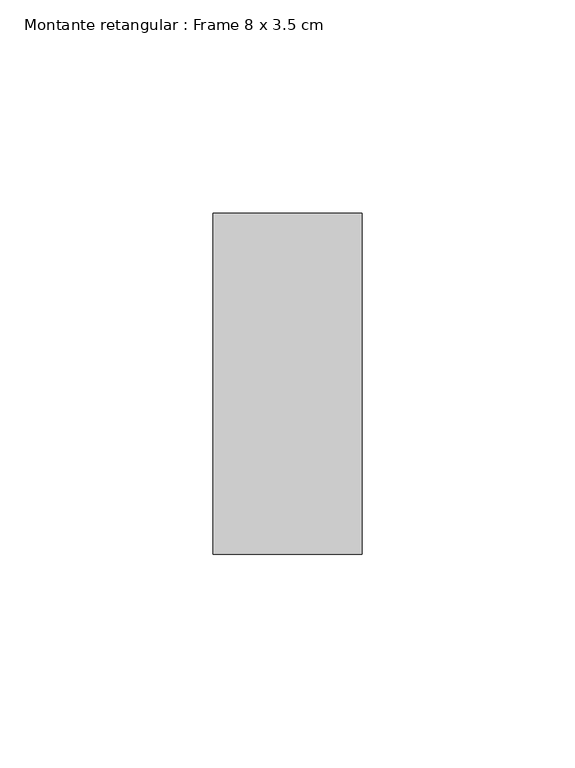
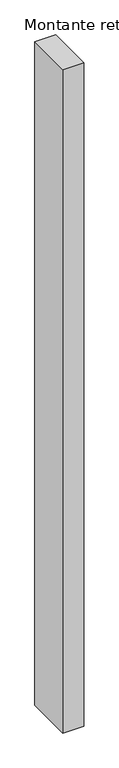
"""IFC4 building model written with IfcOpenShell, lengths in millimetres: member geometry, Montante retangular : Frame 8 x 3.5 cm."""

import ifcopenshell
import ifcopenshell.guid

model = None  # the IFC model being written
_history = None  # IfcOwnerHistory: only IFC2X3 demands one
_inside = {}  # id of a spatial element -> (the spatial element, [elements in it])
_under = {}  # id of a project, library or spatial element -> (it, [spatial elements below it])
_declared = {}  # id of a project -> (the project, [libraries it declares])
_typed = {}  # id of a type object -> (the type object, [elements of that type])
_made_of = {}  # id of a material, layer set ... -> (it, [elements and type objects made of it])


def new_model(schema):
    """Start an empty IFC model of exactly this schema.

    Asked for "IFC4X3", IfcOpenShell would pick the latest addendum, in which some entities
    have other attributes; the version numbers below select the first issue.
    IFC2X3 requires an IfcOwnerHistory on every rooted entity: one is made here for all.
    """
    global model, _history
    if schema == "IFC4X3":
        model = ifcopenshell.file(schema_version=(4, 3, 0, 0))
    else:
        model = ifcopenshell.file(schema=schema)
    _inside.clear()
    _under.clear()
    _declared.clear()
    _typed.clear()
    _made_of.clear()
    _history = None
    if model.schema == "IFC2X3":
        org = make("IfcOrganization", Name="unknown")
        user = make(
            "IfcPersonAndOrganization",
            ThePerson=make("IfcPerson", FamilyName="unknown"),
            TheOrganization=org,
        )
        app = make(
            "IfcApplication",
            ApplicationDeveloper=org,
            Version="unknown",
            ApplicationFullName="unknown",
            ApplicationIdentifier="unknown",
        )
        _history = make(
            "IfcOwnerHistory",
            OwningUser=user,
            OwningApplication=app,
            ChangeAction="ADDED",
            CreationDate=0,
        )
    return model


def make(cls, **values):
    """One entity of the class cls with the attributes given. An attribute that is None is left unset."""
    return model.create_entity(
        cls, **{name: value for name, value in values.items() if value is not None}
    )


def rooted(cls, **values):
    """An entity with a GlobalId (a new one), such as an element, a storey or a relation."""
    return make(cls, GlobalId=ifcopenshell.guid.new(), OwnerHistory=_history, **values)


def si_unit(unit_type, name, prefix=None):
    """IfcSIUnit, for example si_unit("LENGTHUNIT", "METRE", prefix="MILLI")."""
    return make("IfcSIUnit", UnitType=unit_type, Prefix=prefix, Name=name)


def assignment(units):
    """IfcUnitAssignment: the units of a project."""
    return None if units is None else make("IfcUnitAssignment", Units=units)


def point(xyz):
    """IfcCartesianPoint."""
    return None if xyz is None else make("IfcCartesianPoint", Coordinates=xyz)


def direction(xyz):
    """IfcDirection."""
    return None if xyz is None else make("IfcDirection", DirectionRatios=xyz)


def frame(location, z_axis=None, x_axis=None):
    """IfcAxis2Placement3D, a coordinate frame: its origin and axes. An axis left out is left unset."""
    return make(
        "IfcAxis2Placement3D",
        Location=point(location),
        Axis=direction(z_axis),
        RefDirection=direction(x_axis),
    )


def origin():
    """The frame at (0, 0, 0) with its axes left unset."""
    return frame((0.0, 0.0, 0.0))


def place(relative_to, where):
    """IfcLocalPlacement: puts the frame where relative to a parent placement (None: the world)."""
    return make(
        "IfcLocalPlacement", PlacementRelTo=relative_to, RelativePlacement=where
    )


def context(
    kind, dimensions, precision=None, world=None, true_north=None, identifier=None
):
    """IfcGeometricRepresentationContext, for example the 3D "Model" context."""
    return make(
        "IfcGeometricRepresentationContext",
        ContextIdentifier=identifier,
        ContextType=kind,
        CoordinateSpaceDimension=dimensions,
        Precision=precision,
        WorldCoordinateSystem=world,
        TrueNorth=true_north,
    )


def project(units=None, contexts=None):
    """IfcProject with its units and contexts."""
    return rooted(
        "IfcProject",
        Name="project",
        RepresentationContexts=contexts,
        UnitsInContext=assignment(units),
    )


def spatial(cls, under=None, at=None, **own):
    """A site, building, storey or space (cls), placed at a placement, below another one or the project."""
    s = rooted(cls, ObjectPlacement=at, **own)
    if under is not None:
        _under.setdefault(under.id(), (under, []))[1].append(s)
    return s


def polyline(points):
    """IfcPolyline through the points."""
    return make("IfcPolyline", Points=[point(p) for p in points])


def outline(outer, holes=None, kind="AREA"):
    """IfcArbitraryClosedProfileDef: a profile drawn as a closed curve; with holes, ...WithVoids."""
    if holes is None:
        return make("IfcArbitraryClosedProfileDef", ProfileType=kind, OuterCurve=outer)
    return make(
        "IfcArbitraryProfileDefWithVoids",
        ProfileType=kind,
        OuterCurve=outer,
        InnerCurves=holes,
    )


def extrude(swept, where, along, depth):
    """IfcExtrudedAreaSolid: the profile swept, set in the frame where, extruded along a direction by depth."""
    return make(
        "IfcExtrudedAreaSolid",
        SweptArea=swept,
        Position=where,
        ExtrudedDirection=direction(along),
        Depth=depth,
    )


def shape(context_of_items, identifier, shape_type, items):
    """IfcShapeRepresentation: the items that make up one representation, for example the "Body"."""
    return make(
        "IfcShapeRepresentation",
        ContextOfItems=context_of_items,
        RepresentationIdentifier=identifier,
        RepresentationType=shape_type,
        Items=items,
    )


def source(mapping_origin, context_of_items, identifier, shape_type, items):
    """IfcRepresentationMap: a shape defined once, which mapped items show again and again."""
    return make(
        "IfcRepresentationMap",
        MappingOrigin=mapping_origin,
        MappedRepresentation=shape(context_of_items, identifier, shape_type, items),
    )


def transform(
    local_origin,
    x_axis=None,
    y_axis=None,
    z_axis=None,
    scale=None,
    scale2=None,
    scale3=None,
    uniform=True,
):
    """IfcCartesianTransformationOperator3D, or its non-uniform kind. x_axis, y_axis, z_axis: its Axis1, 2, 3."""
    if uniform:
        return make(
            "IfcCartesianTransformationOperator3D",
            Axis1=direction(x_axis),
            Axis2=direction(y_axis),
            LocalOrigin=point(local_origin),
            Scale=scale,
            Axis3=direction(z_axis),
        )
    return make(
        "IfcCartesianTransformationOperator3DnonUniform",
        Axis1=direction(x_axis),
        Axis2=direction(y_axis),
        LocalOrigin=point(local_origin),
        Scale=scale,
        Axis3=direction(z_axis),
        Scale2=scale2,
        Scale3=scale3,
    )


def mapped(mapping_source, mapping_target):
    """IfcMappedItem: shows the shape of a source again, moved by a transform."""
    return make(
        "IfcMappedItem", MappingSource=mapping_source, MappingTarget=mapping_target
    )


def made_of(thing, what):
    """Note that an element or type object is made of a material, layer set ...; save() writes the relation."""
    if what is not None:
        _made_of.setdefault(what.id(), (what, []))[1].append(thing)
    return thing


def element(
    cls,
    number,
    at=None,
    inside=None,
    cuts=None,
    type_object=None,
    material=None,
    context=None,
    identifier="Body",
    shape_type=None,
    held_by="IfcProductDefinitionShape",
    body=None,
    shapes=None,
    **own,
):
    """One element of the class cls, such as IfcWall. Its Tag is "e" and its number.

    at: its placement. inside: the storey or other place that contains it. cuts: it is an
    opening in that element (IfcRelVoidsElement). A single representation is given by context,
    identifier, shape_type and body (its items); several are given by shapes. held_by: the class
    of the entity that holds the representations. save() writes the other relations.
    """
    e = rooted(cls, Tag="e%d" % number, ObjectPlacement=at, **own)
    if body is not None:
        shapes = [shape(context, identifier, shape_type, body)]
    if shapes is not None:
        e.Representation = make(held_by, Representations=shapes)
    if inside is not None:
        _inside.setdefault(inside.id(), (inside, []))[1].append(e)
    if cuts is not None:
        rooted(
            "IfcRelVoidsElement", RelatingBuildingElement=cuts, RelatedOpeningElement=e
        )
    if type_object is not None:
        _typed.setdefault(type_object.id(), (type_object, []))[1].append(e)
    return made_of(e, material)


def aggregate(whole, parts):
    """IfcRelAggregates: a whole, such as a stair, and the parts it consists of."""
    return rooted("IfcRelAggregates", RelatingObject=whole, RelatedObjects=parts)


def save(model, path):
    """Write the relations noted so far, then the file.

    IfcRelAggregates (storeys below a building ...), IfcRelContainedInSpatialStructure (elements
    in a storey), IfcRelDefinesByType, IfcRelAssociatesMaterial and IfcRelDeclares: one each for
    every whole, place, type object, material and project.
    """
    for whole, parts in _under.values():
        aggregate(whole, parts)
    for where, things in _inside.values():
        rooted(
            "IfcRelContainedInSpatialStructure",
            RelatedElements=things,
            RelatingStructure=where,
        )
    for kind, things in _typed.values():
        rooted("IfcRelDefinesByType", RelatedObjects=things, RelatingType=kind)
    for what, things in _made_of.values():
        rooted("IfcRelAssociatesMaterial", RelatedObjects=things, RelatingMaterial=what)
    for by, libraries in _declared.values():
        rooted("IfcRelDeclares", RelatingContext=by, RelatedDefinitions=libraries)
    model.write(path)


def montante_retangular_frame_8_x_3_5_cm_1997eb56(model_context):
    return source(origin(), model_context, "Body", "SweptSolid", [
        extrude(outline(polyline([(17.5, 40.0), (17.5, -40.0), (-17.5, -40.0), (-17.5, 40.0), (17.5, 40.0)])), frame((0.0, 0.0, -1165.0), z_axis=(0.0, 0.0, 1.0), x_axis=(1.0, 0.0, 0.0)), (0.0, 0.0, 1.0), 1165.0),
    ])


if __name__ == "__main__":
    model = new_model("IFC4")
    model_context = context("Model", 3, world=origin())
    ifc_project = project(units=[si_unit("LENGTHUNIT", "METRE", prefix="MILLI")], contexts=[model_context])
    site = spatial("IfcSite", under=ifc_project)
    building = spatial("IfcBuilding", under=site)
    placement = place(None, origin())
    montante_retangular_frame_8_x_3_5_cm_shape = montante_retangular_frame_8_x_3_5_cm_1997eb56(model_context)
    element("IfcMember", 1, ObjectType="Montante retangular : Frame 8 x 3.5 cm", at=placement, inside=building, context=model_context, shape_type="MappedRepresentation", body=[
        mapped(montante_retangular_frame_8_x_3_5_cm_shape, transform((0.0, 0.0, 0.0), x_axis=(1.0, 0.0, 0.0), y_axis=(0.0, 1.0, 0.0), z_axis=(0.0, 0.0, 1.0))),
    ])
    save(model, "model.ifc")
